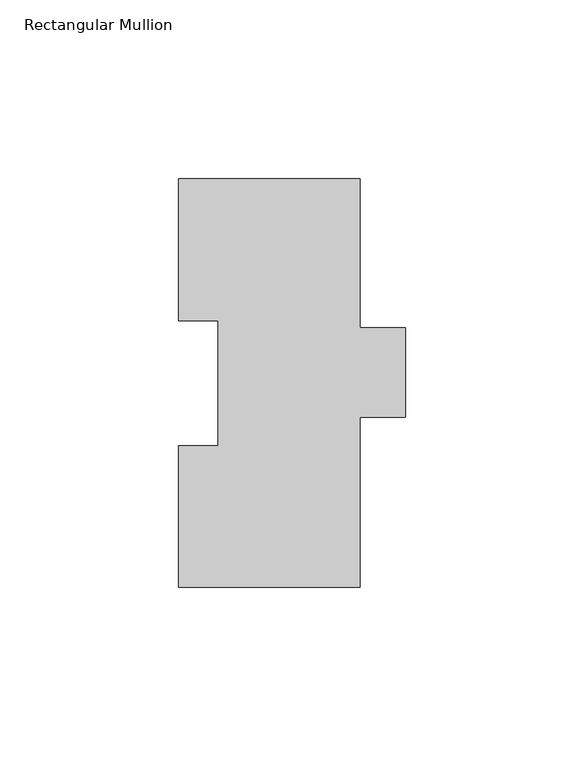
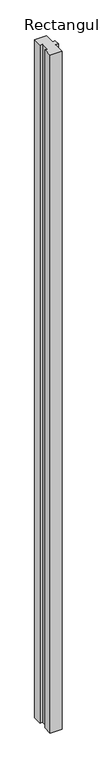
"""IFC4 building model written with IfcOpenShell, lengths in millimetres: member geometry, Rectangular Mullion."""

from ifc_helpers import new_model, si_unit, frame, origin, place, context, project, spatial, polyline, outline, extrude, source, transform, mapped, element, save


def rectangular_mullion_fa41529e(model_context):
    return source(origin(), model_context, "Body", "SweptSolid", [
        extrude(outline(polyline([(-25.4, 114.271425), (25.4, 114.271425), (25.4, 72.564625), (38.1, 72.564625), (38.1, 47.596425), (25.4, 47.596425), (25.4, -0.028575), (-25.4, -0.028575), (-25.4, 39.646225), (-14.2875, 39.646225), (-14.2875, 74.596625), (-25.4, 74.596625), (-25.4, 114.271425)])), frame((0.0, 0.0, -3048.0), z_axis=(0.0, 0.0, 1.0), x_axis=(1.0, 0.0, 0.0)), (0.0, 0.0, 1.0), 3048.0),
    ])


if __name__ == "__main__":
    model = new_model("IFC4")
    model_context = context("Model", 3, world=origin())
    ifc_project = project(units=[si_unit("LENGTHUNIT", "METRE", prefix="MILLI")], contexts=[model_context])
    site = spatial("IfcSite", under=ifc_project)
    building = spatial("IfcBuilding", under=site)
    placement = place(None, origin())
    rectangular_mullion_shape = rectangular_mullion_fa41529e(model_context)
    element("IfcMember", 1, ObjectType="Rectangular Mullion", at=placement, inside=building, context=model_context, shape_type="MappedRepresentation", body=[
        mapped(rectangular_mullion_shape, transform((0.0, 0.0, 0.0), x_axis=(1.0, 0.0, 0.0), y_axis=(0.0, 1.0, 0.0), z_axis=(0.0, 0.0, 1.0))),
    ])
    save(model, "model.ifc")
